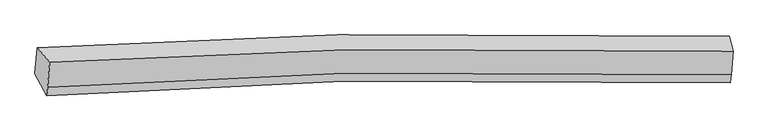
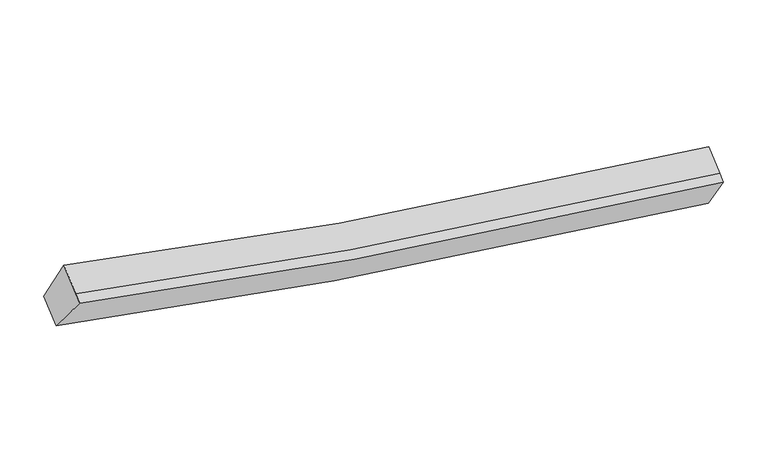
"""IFC4 building model written with IfcOpenShell, lengths in millimetres: proxy geometry."""

from ifc_helpers import new_model, si_unit, frame, origin, place, context, project, spatial, source, transform, mapped, element, save
from ifc_brep_helpers import plane_surface, spline_curve, spline_surface, advanced_brep


def generic_models_20674366(model_context):
    return source(origin(), model_context, "Body", "AdvancedBrep", [
        advanced_brep(
        [(-5092.3592157, -1825.3159283, 3930.1667455), (-4883.892457, -2066.4102605, 4570.5604111), (6423.7470131, -1885.9554343, 2678.9187531), (6364.0176168, -1639.6601937, 2009.9942678), (-4919.1542448, -2485.9585403, 4310.2532225), (6391.3346685, -2271.6007527, 2439.6465324), (-4930.5520181, -2621.5703863, 4226.1133509), (6379.9368953, -2407.2125987, 2355.5066608), (-5128.5277276, -2255.6525005, 3663.1660006), (6330.6985483, -2036.0938045, 1764.0284907)],
        [
            (0, 1),
            (1, 2, spline_curve(3, [(-4883.892457, -2066.4102605, 4570.5604111), (-3260.630297558, -1965.712351753, 4149.086046007), (-1625.773589894, -1897.565584094, 3791.29107571), (2135.897414987, -1816.239742653, 3119.320965836), (4270.253863466, -1824.234900878, 2846.568717036), (6423.7470131, -1885.9554343, 2678.9187531)], [4, 2, 4], [0.0, 16.598120184581145, 37.921965310297814])),
            (2, 3),
            (3, 0, spline_curve(3, [(6364.0176168, -1639.6601937, 2009.9942678), (4181.978062973, -1577.286577006, 2180.458588355), (2019.450629861, -1569.553729848, 2457.449719412), (-1791.651534187, -1652.973982473, 3139.491535429), (-3447.916378776, -1722.592075134, 3502.557897213), (-5092.3592157, -1825.3159283, 3930.1667455)], [4, 2, 4], [0.0, 21.32384512571667, 37.921965310297814])),
            (1, 4),
            (4, 5, spline_curve(3, [(-4919.1542448, -2485.9585403, 4310.2532225), (-3294.52654518, -2369.013298785, 3898.859455001), (-1658.720023074, -2289.565544523, 3548.076140879), (2104.171221712, -2193.721160506, 2885.114007019), (4238.527670386, -2201.71631965, 2612.361757837), (6391.3346685, -2271.6007527, 2439.6465324)], [4, 2, 4], [0.0, 16.48897475290075, 37.672599163533405])),
            (5, 2),
            (4, 6),
            (6, 7, spline_curve(3, [(-4930.5520181, -2621.5703863, 4226.1133509), (-3305.924318757, -2504.625145086, 3814.719583574), (-1670.117796075, -2425.177390528, 3463.936269238), (2092.773448256, -2329.333006499, 2800.974135473), (4227.129897077, -2337.328165508, 2528.221886473), (6379.9368953, -2407.2125987, 2355.5066608)], [4, 2, 4], [0.0, 16.488896981529496, 37.672421478156394])),
            (7, 5),
            (6, 8),
            (8, 9, spline_curve(3, [(-5128.5277276, -2255.6525005, 3663.1660006), (-3482.719350607, -2136.681314632, 3245.637749951), (-1825.504691686, -2055.762235022, 2889.5830441), (1986.817713224, -1957.823440232, 2216.549204323), (4149.345145923, -1965.556288288, 1939.558073123), (6330.6985483, -2036.0938045, 1764.0284907)], [4, 2, 4], [0.0, 16.59783936999571, 37.92132372915193])),
            (9, 7),
            (8, 0),
            (3, 9),
        ],
        [
            spline_surface(3, 3, [[(-5092.3592157, -1825.3159283, 3930.1667455), (-3447.916379042, -1722.592075125, 3502.557897147), (-1791.651534431, -1652.973982572, 3139.491535484), (2019.450630174, -1569.55372972, 2457.449719342), (4181.978063008, -1577.286577348, 2180.458588467), (6364.0176168, -1639.6601937, 2009.9942678)], [(-5022.870296105, -1905.680705699, 4143.631300679), (-3385.487685176, -1803.632167315, 3718.067279993), (-1736.358886181, -1734.504516467, 3356.758048828), (2058.266224979, -1651.782400652, 2678.07346827), (4211.40332981, -1659.602685285, 2402.495297987), (6383.927415541, -1721.758607226, 2232.969096247)], [(-4953.381376595, -1986.045483101, 4357.095855921), (-3323.058991396, -1884.672259509, 3933.576662902), (-1681.066237877, -1816.035050331, 3574.024562155), (2097.081819839, -1734.011071553, 2898.69721718), (4240.82859669, -1741.918793245, 2624.532007464), (6403.837214359, -1803.857020774, 2455.943924653)], [(-4883.892457, -2066.4102605, 4570.5604111), (-3260.630297531, -1965.7123517, 4149.086045748), (-1625.773589627, -1897.565584225, 3791.291075498), (2135.897414643, -1816.239742485, 3119.320966108), (4270.253863493, -1824.234901181, 2846.568716984), (6423.7470131, -1885.9554343, 2678.9187531)]], [4, 4], [4, 2, 4], [0.0, 2.346858166191098], [0.0, 16.598120184581145, 37.921965310297814]),
            spline_surface(3, 3, [[(-4883.892457, -2066.4102605, 4570.5604111), (-3260.630297531, -1965.7123517, 4149.086045748), (-1625.773589627, -1897.565584225, 3791.291075498), (2135.897414643, -1816.239742485, 3119.320966108), (4270.253863493, -1824.234901181, 2846.568716984), (6423.7470131, -1885.9554343, 2678.9187531)], [(-4895.646386291, -2206.259687121, 4483.791348232), (-3271.92904679, -2100.146000758, 4065.677182169), (-1636.755734074, -2028.232237561, 3710.219430573), (2125.322016978, -1942.066881918, 3041.251979801), (4259.678465827, -1950.062040615, 2768.499730676), (6412.942898243, -2014.503873753, 2599.161346195)], [(-4907.400315509, -2346.109113679, 4397.022285368), (-3283.227795975, -2234.579649753, 3982.268318593), (-1647.737878552, -2158.898890938, 3629.147785663), (2114.746619282, -2067.894021393, 2963.182993508), (4249.103068131, -2075.88918009, 2690.430744384), (6402.138783357, -2143.052313247, 2519.403939305)], [(-4919.1542448, -2485.9585403, 4310.2532225), (-3294.526545234, -2369.013298812, 3898.859455014), (-1658.720022999, -2289.565544273, 3548.076140738), (2104.171221616, -2193.721160827, 2885.114007201), (4238.527670465, -2201.716319523, 2612.361758076), (6391.3346685, -2271.6007527, 2439.6465324)]], [4, 4], [4, 2, 4], [0.0, 1.4834377635773461], [0.0, 16.48897475290075, 37.672599163533405]),
            spline_surface(3, 3, [[(-4919.1542448, -2485.9585403, 4310.2532225), (-3294.526545234, -2369.013298812, 3898.859455014), (-1658.720022999, -2289.565544273, 3548.076140738), (2104.171221616, -2193.721160827, 2885.114007201), (4238.527670465, -2201.716319523, 2612.361758076), (6391.3346685, -2271.6007527, 2439.6465324)], [(-4922.953502539, -2531.162488973, 4282.206598649), (-3298.325802973, -2414.217247484, 3870.812831162), (-1662.519280738, -2334.769492946, 3520.029516887), (2100.371963877, -2238.925109499, 2857.06738335), (4234.728412726, -2246.920268196, 2584.315134225), (6387.535410761, -2316.804701373, 2411.599908549)], [(-4926.752760361, -2576.366437627, 4254.159974751), (-3302.125060795, -2459.421196139, 3842.766207265), (-1666.31853846, -2379.9734416, 3491.982892989), (2096.572706155, -2284.129058154, 2829.020759452), (4230.929155004, -2292.124216851, 2556.268510328), (6383.736153039, -2362.008650027, 2383.553284651)], [(-4930.5520181, -2621.5703863, 4226.1133509), (-3305.924318534, -2504.625144812, 3814.719583414), (-1670.117796199, -2425.177390273, 3463.936269138), (2092.773448416, -2329.333006827, 2800.974135601), (4227.129897265, -2337.328165523, 2528.221886476), (6379.9368953, -2407.2125987, 2355.5066608)]], [4, 4], [4, 2, 4], [0.0, 0.5249343832021015], [0.0, 16.488896981529496, 37.672421478156394]),
            spline_surface(3, 3, [[(-4930.5520181, -2621.5703863, 4226.1133509), (-3305.924318534, -2504.625144812, 3814.719583414), (-1670.117796199, -2425.177390273, 3463.936269138), (2092.773448416, -2329.333006827, 2800.974135601), (4227.129897265, -2337.328165523, 2528.221886476), (6379.9368953, -2407.2125987, 2355.5066608)], [(-4996.543921276, -2499.597757688, 4038.464234118), (-3364.85599598, -2381.977201408, 3625.025638964), (-1721.91342803, -2302.039005166, 3272.485194191), (2057.454870031, -2205.496484682, 2606.165825069), (4201.201646882, -2213.404206374, 2332.000615353), (6363.524112979, -2283.506333961, 2158.347270749)], [(-5062.535824424, -2377.625129112, 3850.815117382), (-3423.787673399, -2259.32925804, 3435.331694561), (-1773.709059873, -2178.900620028, 3081.034119271), (2022.136291632, -2081.659962507, 2411.357514566), (4175.273396464, -2089.48024724, 2135.779344283), (6347.111330621, -2159.800069239, 1961.187880751)], [(-5128.5277276, -2255.6525005, 3663.1660006), (-3482.719350845, -2136.681314636, 3245.637750112), (-1825.504691704, -2055.762234921, 2889.583044324), (1986.817713247, -1957.823440363, 2216.549204034), (4149.345146081, -1965.55628809, 1939.558073159), (6330.6985483, -2036.0938045, 1764.0284907)]], [4, 4], [4, 2, 4], [0.0, 2.296581313911059], [0.0, 16.59783936999571, 37.92132372915193]),
            spline_surface(3, 3, [[(-5128.5277276, -2255.6525005, 3663.1660006), (-3482.719350845, -2136.681314636, 3245.637750112), (-1825.504691704, -2055.762234921, 2889.583044324), (1986.817713247, -1957.823440363, 2216.549204034), (4149.345146081, -1965.55628809, 1939.558073159), (6330.6985483, -2036.0938045, 1764.0284907)], [(-5116.471556989, -2112.206976419, 3752.166248923), (-3471.118360266, -1998.651568119, 3331.277799146), (-1814.220305936, -1921.499484126, 2972.885874704), (1997.695352232, -1828.400203469, 2296.849375796), (4160.222785066, -1836.133051197, 2019.858244922), (6341.804904476, -1903.949267588, 1846.01708306)], [(-5104.415386311, -1968.761452381, 3841.166497177), (-3459.51736962, -1860.621821643, 3416.917848112), (-1802.935920198, -1787.236733368, 3056.188705105), (2008.572991188, -1698.976966614, 2377.149547579), (4171.100424023, -1706.709814241, 2100.158416705), (6352.911260624, -1771.804730612, 1928.00567544)], [(-5092.3592157, -1825.3159283, 3930.1667455), (-3447.916379042, -1722.592075125, 3502.557897147), (-1791.651534431, -1652.973982572, 3139.491535484), (2019.450630174, -1569.55372972, 2457.449719342), (4181.978063008, -1577.286577348, 2180.458588467), (6364.0176168, -1639.6601937, 2009.9942678)]], [4, 4], [4, 2, 4], [0.0, 1.525197726086011], [0.0, 16.7068591778515, 38.17040286134686]),
            plane_surface(frame((6374.6000184, -1992.2305078, 2202.1120431), z_axis=(0.9949761983105876, -0.023202016582309908, -0.09738599089152822), x_axis=(-0.07034049566323994, 0.5301697060241273, -0.8449688145039084))),
            plane_surface(frame((-5008.8328546, -2192.2372689, 4097.501627), z_axis=(-0.9565233330836178, -0.09144021908865765, 0.27695089745228263), x_axis=(-0.07123608260749559, -0.8475740376160659, -0.5258741972125445))),
        ],
        [
            (0, [[1, 2, 3, 4]]),
            (1, [[5, 6, 7, -2]]),
            (2, [[8, 9, 10, -6]]),
            (3, [[11, 12, 13, -9]]),
            (4, [[14, -4, 15, -12]]),
            (5, [[-13, -15, -3, -7, -10]]),
            (6, [[-14, -11, -8, -5, -1]]),
        ],
    ),
    ])


if __name__ == "__main__":
    model = new_model("IFC4")
    model_context = context("Model", 3, world=origin())
    ifc_project = project(units=[si_unit("LENGTHUNIT", "METRE", prefix="MILLI")], contexts=[model_context])
    site = spatial("IfcSite", under=ifc_project)
    building = spatial("IfcBuilding", under=site)
    placement = place(None, origin())
    generic_models_shape = generic_models_20674366(model_context)
    element("IfcBuildingElementProxy", 1, Name="Generic Models", at=placement, inside=building, context=model_context, shape_type="MappedRepresentation", body=[
        mapped(generic_models_shape, transform((0.0, 0.0, 0.0), x_axis=(1.0, 0.0, 0.0), y_axis=(0.0, 1.0, 0.0), z_axis=(0.0, 0.0, 1.0))),
    ])
    save(model, "model.ifc")
